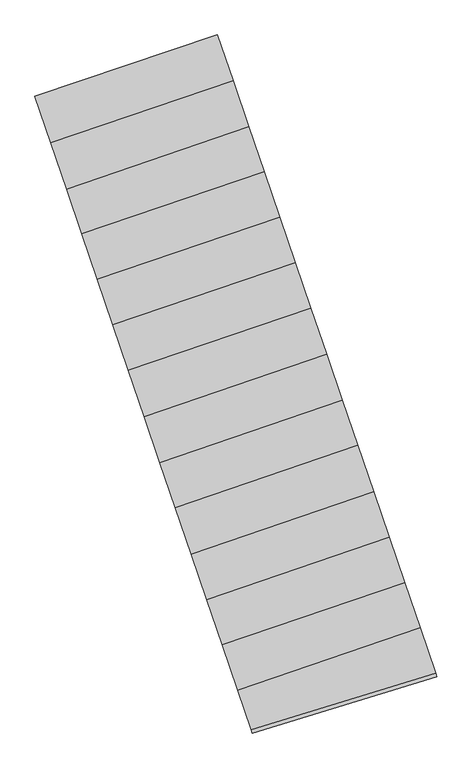
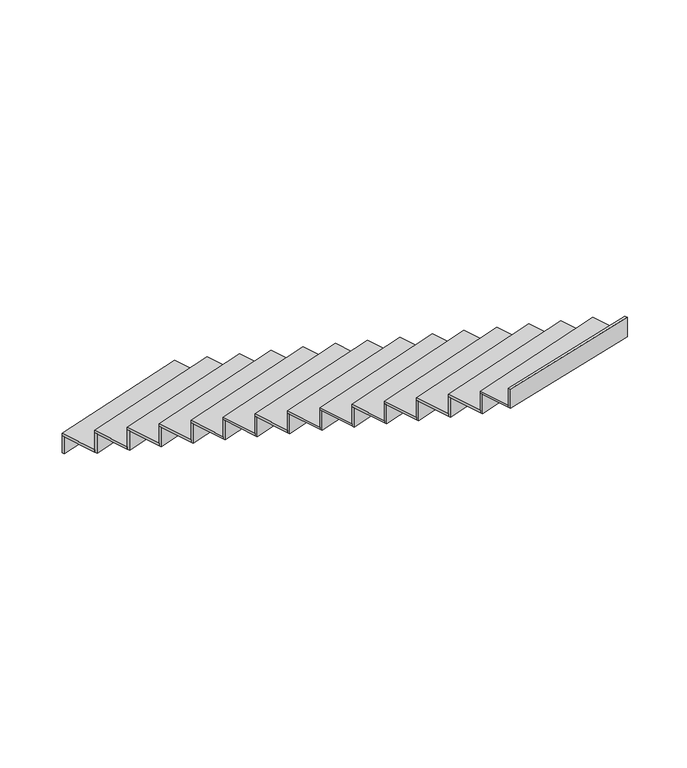
"""IFC4 building model written with IfcOpenShell, lengths in millimetres: stair flight geometry."""

from ifc_helpers import new_model, si_unit, frame, origin, place, context, project, spatial, polyline, outline, extrude, source, transform, mapped, element, save


def stair_flight_e9903551(model_context):
    return source(origin(), model_context, "Body", "SweptSolid", [
        extrude(outline(polyline([(-112563.9890416, 39950.9688376), (-112570.4438073, 39969.8988907), (-111429.9660621, 40352.1408728), (-111423.4925207, 40333.2171125), (-112563.9890416, 39950.9688376)])), frame((0.0, 0.0, -2480.5), z_axis=(0.0, 0.0, 1.0), x_axis=(1.0, 0.0, 0.0)), (0.0, 0.0, 1.0), 147.1197413),
        extrude(outline(polyline([(-111332.6287698, 40067.5999286), (-112470.9762575, 39678.1879144), (-112570.4438073, 39969.8988907), (-111429.9660621, 40352.1408728), (-111332.6287698, 40067.5999286)])), frame((0.0, 0.0, -2333.3802587), z_axis=(0.0, 0.0, 1.0), x_axis=(1.0, 0.0, 0.0)), (0.0, 0.0, 1.0), 20.0),
        extrude(outline(polyline([(-112464.5215767, 39659.2581102), (-112470.9762575, 39678.1879144), (-111332.6287698, 40067.5999286), (-111326.1553533, 40048.6765336), (-112464.5215767, 39659.2581102)])), frame((0.0, 0.0, -2333.3802587), z_axis=(0.0, 0.0, 1.0), x_axis=(1.0, 0.0, 0.0)), (0.0, 0.0, 1.0), 167.1197413),
        extrude(outline(polyline([(-111233.5201246, 39777.8808825), (-112372.538986, 39389.4984612), (-112470.9762575, 39678.1879144), (-111332.6287698, 40067.5999286), (-111233.5201246, 39777.8808825)])), frame((0.0, 0.0, -2166.2605175), z_axis=(0.0, 0.0, 1.0), x_axis=(1.0, 0.0, 0.0)), (0.0, 0.0, 1.0), 20.0),
        extrude(outline(polyline([(-112366.0843084, 39370.5686662), (-112372.538986, 39389.4984612), (-111233.5201246, 39777.8808825), (-111227.0467049, 39758.9574782), (-112366.0843084, 39370.5686662)])), frame((0.0, 0.0, -2166.2605175), z_axis=(0.0, 0.0, 1.0), x_axis=(1.0, 0.0, 0.0)), (0.0, 0.0, 1.0), 167.1197413),
        extrude(outline(polyline([(-111137.6299604, 39497.5702513), (-112276.9264452, 39109.0931661), (-112372.538986, 39389.4984612), (-111233.5201246, 39777.8808825), (-111137.6299604, 39497.5702513)])), frame((0.0, 0.0, -1999.1407762), z_axis=(0.0, 0.0, 1.0), x_axis=(1.0, 0.0, 0.0)), (0.0, 0.0, 1.0), 20.0),
        extrude(outline(polyline([(-112270.4717675, 39090.1633712), (-112276.9264452, 39109.0931661), (-111137.6299604, 39497.5702513), (-111131.1565408, 39478.646847), (-112270.4717675, 39090.1633712)])), frame((0.0, 0.0, -1999.1407762), z_axis=(0.0, 0.0, 1.0), x_axis=(1.0, 0.0, 0.0)), (0.0, 0.0, 1.0), 167.1197413),
        extrude(outline(polyline([(-111040.5286658, 39213.7191868), (-112180.1062804, 38825.146242), (-112276.9264452, 39109.0931661), (-111137.6299604, 39497.5702513), (-111040.5286658, 39213.7191868)])), frame((0.0, 0.0, -1832.021035), z_axis=(0.0, 0.0, 1.0), x_axis=(1.0, 0.0, 0.0)), (0.0, 0.0, 1.0), 20.0),
        extrude(outline(polyline([(-112173.6516027, 38806.2164471), (-112180.1062804, 38825.146242), (-111040.5286658, 39213.7191868), (-111034.0552462, 39194.7957825), (-112173.6516027, 38806.2164471)])), frame((0.0, 0.0, -1832.021035), z_axis=(0.0, 0.0, 1.0), x_axis=(1.0, 0.0, 0.0)), (0.0, 0.0, 1.0), 167.1197413),
        extrude(outline(polyline([(-110943.4273712, 38929.8681223), (-112083.2861156, 38541.199318), (-112180.1062804, 38825.146242), (-111040.5286658, 39213.7191868), (-110943.4273712, 38929.8681223)])), frame((0.0, 0.0, -1664.9012937), z_axis=(0.0, 0.0, 1.0), x_axis=(1.0, 0.0, 0.0)), (0.0, 0.0, 1.0), 20.0),
        extrude(outline(polyline([(-112076.8314379, 38522.269523), (-112083.2861156, 38541.199318), (-110943.4273712, 38929.8681223), (-110936.9539516, 38910.944718), (-112076.8314379, 38522.269523)])), frame((0.0, 0.0, -1664.9012937), z_axis=(0.0, 0.0, 1.0), x_axis=(1.0, 0.0, 0.0)), (0.0, 0.0, 1.0), 167.1197413),
        extrude(outline(polyline([(-110845.907398, 38644.7931568), (-111986.0484843, 38256.0280795), (-112083.2861156, 38541.199318), (-110943.4273712, 38929.8681223), (-110845.907398, 38644.7931568)])), frame((0.0, 0.0, -1497.7815524), z_axis=(0.0, 0.0, 1.0), x_axis=(1.0, 0.0, 0.0)), (0.0, 0.0, 1.0), 20.0),
        extrude(outline(polyline([(-111979.5938066, 38237.0982846), (-111986.0484843, 38256.0280795), (-110845.907398, 38644.7931568), (-110839.4339784, 38625.8697525), (-111979.5938066, 38237.0982846)])), frame((0.0, 0.0, -1497.7815524), z_axis=(0.0, 0.0, 1.0), x_axis=(1.0, 0.0, 0.0)), (0.0, 0.0, 1.0), 167.1197413),
        extrude(outline(polyline([(-110747.0607304, 38355.8399358), (-111887.4879996, 37966.9772759), (-111986.0484843, 38256.0280795), (-110845.907398, 38644.7931568), (-110747.0607304, 38355.8399358)])), frame((0.0, 0.0, -1330.6618112), z_axis=(0.0, 0.0, 1.0), x_axis=(1.0, 0.0, 0.0)), (0.0, 0.0, 1.0), 20.0),
        extrude(outline(polyline([(-111881.033322, 37948.047481), (-111887.4879996, 37966.9772759), (-110747.0607304, 38355.8399358), (-110740.5873107, 38336.9165315), (-111881.033322, 37948.047481)])), frame((0.0, 0.0, -1330.6618112), z_axis=(0.0, 0.0, 1.0), x_axis=(1.0, 0.0, 0.0)), (0.0, 0.0, 1.0), 167.1197413),
        extrude(outline(polyline([(-110648.898282, 38068.8868569), (-111789.6097534, 37679.9272899), (-111887.4879996, 37966.9772759), (-110747.0607304, 38355.8399358), (-110648.898282, 38068.8868569)])), frame((0.0, 0.0, -1163.5420699), z_axis=(0.0, 0.0, 1.0), x_axis=(1.0, 0.0, 0.0)), (0.0, 0.0, 1.0), 20.0),
        extrude(outline(polyline([(-111783.1550757, 37660.9974949), (-111789.6097534, 37679.9272899), (-110648.898282, 38068.8868569), (-110642.4248624, 38049.9634526), (-111783.1550757, 37660.9974949)])), frame((0.0, 0.0, -1163.5420699), z_axis=(0.0, 0.0, 1.0), x_axis=(1.0, 0.0, 0.0)), (0.0, 0.0, 1.0), 167.1197413),
        extrude(outline(polyline([(-110552.6756371, 37787.6043023), (-111693.2804997, 37397.4200732), (-111789.6097534, 37679.9272899), (-110648.898282, 38068.8868569), (-110552.6756371, 37787.6043023)])), frame((0.0, 0.0, -996.4223286), z_axis=(0.0, 0.0, 1.0), x_axis=(1.0, 0.0, 0.0)), (0.0, 0.0, 1.0), 20.0),
        extrude(outline(polyline([(-111686.8258189, 37378.490269), (-111693.2804997, 37397.4200732), (-110552.6756371, 37787.6043023), (-110546.2022206, 37768.6809073), (-111686.8258189, 37378.490269)])), frame((0.0, 0.0, -996.4223286), z_axis=(0.0, 0.0, 1.0), x_axis=(1.0, 0.0, 0.0)), (0.0, 0.0, 1.0), 167.1197413),
        extrude(outline(polyline([(-110453.6086751, 37498.0071065), (-111594.5002617, 37107.7247933), (-111693.2804997, 37397.4200732), (-110552.6756371, 37787.6043023), (-110453.6086751, 37498.0071065)])), frame((0.0, 0.0, -829.3025874), z_axis=(0.0, 0.0, 1.0), x_axis=(1.0, 0.0, 0.0)), (0.0, 0.0, 1.0), 20.0),
        extrude(outline(polyline([(-111588.0455809, 37088.7949891), (-111594.5002617, 37107.7247933), (-110453.6086751, 37498.0071065), (-110447.1352586, 37479.0837115), (-111588.0455809, 37088.7949891)])), frame((0.0, 0.0, -829.3025874), z_axis=(0.0, 0.0, 1.0), x_axis=(1.0, 0.0, 0.0)), (0.0, 0.0, 1.0), 167.1197413),
        extrude(outline(polyline([(-110356.5074281, 37214.1561811), (-111497.6800495, 36823.7777301), (-111594.5002617, 37107.7247933), (-110453.6086751, 37498.0071065), (-110356.5074281, 37214.1561811)])), frame((0.0, 0.0, -662.1828461), z_axis=(0.0, 0.0, 1.0), x_axis=(1.0, 0.0, 0.0)), (0.0, 0.0, 1.0), 20.0),
        extrude(outline(polyline([(-111491.2253686, 36804.8479259), (-111497.6800495, 36823.7777301), (-110356.5074281, 37214.1561811), (-110350.0340116, 37195.2327861), (-111491.2253686, 36804.8479259)])), frame((0.0, 0.0, -662.1828461), z_axis=(0.0, 0.0, 1.0), x_axis=(1.0, 0.0, 0.0)), (0.0, 0.0, 1.0), 167.1197413),
        extrude(outline(polyline([(-110259.4422099, 36930.4105768), (-111401.2812429, 36541.066534), (-111497.6800495, 36823.7777301), (-110356.5074281, 37214.1561811), (-110259.4422099, 36930.4105768)])), frame((0.0, 0.0, -495.0631049), z_axis=(0.0, 0.0, 1.0), x_axis=(1.0, 0.0, 0.0)), (0.0, 0.0, 1.0), 20.0),
        extrude(outline(polyline([(-111394.8265653, 36522.1367391), (-111401.2812429, 36541.066534), (-110259.4422099, 36930.4105768), (-110252.9687902, 36911.4871725), (-111394.8265653, 36522.1367391)])), frame((0.0, 0.0, -495.0631049), z_axis=(0.0, 0.0, 1.0), x_axis=(1.0, 0.0, 0.0)), (0.0, 0.0, 1.0), 167.1197413),
        extrude(outline(polyline([(-110162.6994462, 36647.6075867), (-111304.4329952, 36257.0372505), (-111401.2812429, 36541.066534), (-110259.4422099, 36930.4105768), (-110162.6994462, 36647.6075867)])), frame((0.0, 0.0, -327.9433636), z_axis=(0.0, 0.0, 1.0), x_axis=(1.0, 0.0, 0.0)), (0.0, 0.0, 1.0), 20.0),
        extrude(outline(polyline([(-111297.9783144, 36238.1074463), (-111304.4329952, 36257.0372505), (-110162.6994462, 36647.6075867), (-110156.2260297, 36628.6841917), (-111297.9783144, 36238.1074463)])), frame((0.0, 0.0, -327.9433636), z_axis=(0.0, 0.0, 1.0), x_axis=(1.0, 0.0, 0.0)), (0.0, 0.0, 1.0), 167.1197413),
        extrude(outline(polyline([(-111213.3445428, 35989.8998631), (-111219.8025082, 36008.8393), (-110064.9658965, 36361.9082843), (-110058.4889748, 36342.9746428), (-111213.3445428, 35989.8998631)])), frame((0.0, 0.0, -160.8236223), z_axis=(0.0, 0.0, 1.0), x_axis=(1.0, 0.0, 0.0)), (0.0, 0.0, 1.0), 167.1197413),
        extrude(outline(polyline([(-110064.9658965, 36361.9082843), (-111219.8025082, 36008.8393), (-111304.4329952, 36257.0372505), (-110162.6994462, 36647.6075867), (-110064.9658965, 36361.9082843)])), frame((0.0, 0.0, -160.8236223), z_axis=(0.0, 0.0, 1.0), x_axis=(1.0, 0.0, 0.0)), (0.0, 0.0, 1.0), 20.0),
    ])


if __name__ == "__main__":
    model = new_model("IFC4")
    model_context = context("Model", 3, world=origin())
    ifc_project = project(units=[si_unit("LENGTHUNIT", "METRE", prefix="MILLI")], contexts=[model_context])
    site = spatial("IfcSite", under=ifc_project)
    building = spatial("IfcBuilding", under=site)
    placement = place(None, origin())
    stair_flight_shape = stair_flight_e9903551(model_context)
    element("IfcStairFlight", 1, at=placement, inside=building, context=model_context, shape_type="MappedRepresentation", body=[
        mapped(stair_flight_shape, transform((0.0, 0.0, 0.0), x_axis=(1.0, 0.0, 0.0), y_axis=(0.0, 1.0, 0.0), z_axis=(0.0, 0.0, 1.0))),
    ])
    save(model, "model.ifc")
